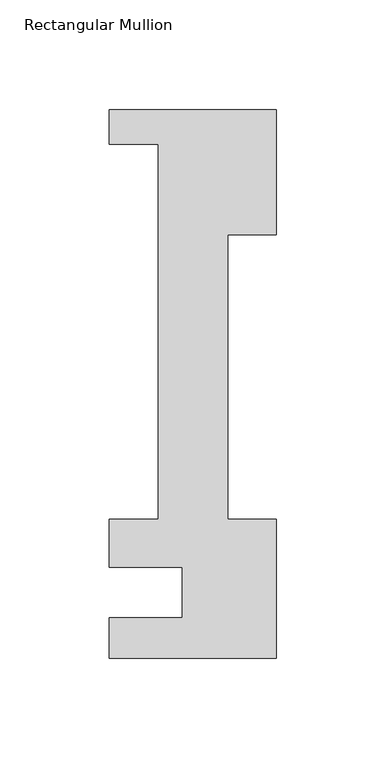
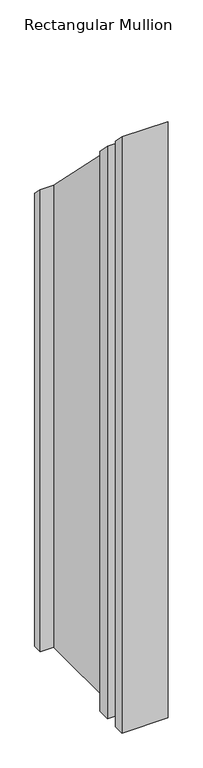
"""IFC4 building model written with IfcOpenShell, lengths in millimetres: member geometry, Rectangular Mullion."""

import ifcopenshell
import ifcopenshell.guid

model = None  # the IFC model being written
_history = None  # IfcOwnerHistory: only IFC2X3 demands one
_inside = {}  # id of a spatial element -> (the spatial element, [elements in it])
_under = {}  # id of a project, library or spatial element -> (it, [spatial elements below it])
_declared = {}  # id of a project -> (the project, [libraries it declares])
_typed = {}  # id of a type object -> (the type object, [elements of that type])
_made_of = {}  # id of a material, layer set ... -> (it, [elements and type objects made of it])


def new_model(schema):
    """Start an empty IFC model of exactly this schema.

    Asked for "IFC4X3", IfcOpenShell would pick the latest addendum, in which some entities
    have other attributes; the version numbers below select the first issue.
    IFC2X3 requires an IfcOwnerHistory on every rooted entity: one is made here for all.
    """
    global model, _history
    if schema == "IFC4X3":
        model = ifcopenshell.file(schema_version=(4, 3, 0, 0))
    else:
        model = ifcopenshell.file(schema=schema)
    _inside.clear()
    _under.clear()
    _declared.clear()
    _typed.clear()
    _made_of.clear()
    _history = None
    if model.schema == "IFC2X3":
        org = make("IfcOrganization", Name="unknown")
        user = make(
            "IfcPersonAndOrganization",
            ThePerson=make("IfcPerson", FamilyName="unknown"),
            TheOrganization=org,
        )
        app = make(
            "IfcApplication",
            ApplicationDeveloper=org,
            Version="unknown",
            ApplicationFullName="unknown",
            ApplicationIdentifier="unknown",
        )
        _history = make(
            "IfcOwnerHistory",
            OwningUser=user,
            OwningApplication=app,
            ChangeAction="ADDED",
            CreationDate=0,
        )
    return model


def make(cls, **values):
    """One entity of the class cls with the attributes given. An attribute that is None is left unset."""
    return model.create_entity(
        cls, **{name: value for name, value in values.items() if value is not None}
    )


def rooted(cls, **values):
    """An entity with a GlobalId (a new one), such as an element, a storey or a relation."""
    return make(cls, GlobalId=ifcopenshell.guid.new(), OwnerHistory=_history, **values)


def si_unit(unit_type, name, prefix=None):
    """IfcSIUnit, for example si_unit("LENGTHUNIT", "METRE", prefix="MILLI")."""
    return make("IfcSIUnit", UnitType=unit_type, Prefix=prefix, Name=name)


def assignment(units):
    """IfcUnitAssignment: the units of a project."""
    return None if units is None else make("IfcUnitAssignment", Units=units)


def point(xyz):
    """IfcCartesianPoint."""
    return None if xyz is None else make("IfcCartesianPoint", Coordinates=xyz)


def direction(xyz):
    """IfcDirection."""
    return None if xyz is None else make("IfcDirection", DirectionRatios=xyz)


def frame(location, z_axis=None, x_axis=None):
    """IfcAxis2Placement3D, a coordinate frame: its origin and axes. An axis left out is left unset."""
    return make(
        "IfcAxis2Placement3D",
        Location=point(location),
        Axis=direction(z_axis),
        RefDirection=direction(x_axis),
    )


def origin():
    """The frame at (0, 0, 0) with its axes left unset."""
    return frame((0.0, 0.0, 0.0))


def place(relative_to, where):
    """IfcLocalPlacement: puts the frame where relative to a parent placement (None: the world)."""
    return make(
        "IfcLocalPlacement", PlacementRelTo=relative_to, RelativePlacement=where
    )


def context(
    kind, dimensions, precision=None, world=None, true_north=None, identifier=None
):
    """IfcGeometricRepresentationContext, for example the 3D "Model" context."""
    return make(
        "IfcGeometricRepresentationContext",
        ContextIdentifier=identifier,
        ContextType=kind,
        CoordinateSpaceDimension=dimensions,
        Precision=precision,
        WorldCoordinateSystem=world,
        TrueNorth=true_north,
    )


def project(units=None, contexts=None):
    """IfcProject with its units and contexts."""
    return rooted(
        "IfcProject",
        Name="project",
        RepresentationContexts=contexts,
        UnitsInContext=assignment(units),
    )


def spatial(cls, under=None, at=None, **own):
    """A site, building, storey or space (cls), placed at a placement, below another one or the project."""
    s = rooted(cls, ObjectPlacement=at, **own)
    if under is not None:
        _under.setdefault(under.id(), (under, []))[1].append(s)
    return s


def faces_of(points, faces, orient=None, outer=None):
    """IfcFace entities. A face is a list of loops; a loop is a list of indices into points, from 0.

    orient and outer hold one flag for each loop. By default every Orientation is true, the
    first loop of a face is its IfcFaceOuterBound and the others are IfcFaceBound.
    """
    made = []
    for i, loops in enumerate(faces):
        bounds = []
        for j, loop in enumerate(loops):
            is_outer = j == 0 if outer is None else outer[i][j]
            bounds.append(
                make(
                    "IfcFaceOuterBound" if is_outer else "IfcFaceBound",
                    Bound=make("IfcPolyLoop", Polygon=[points[k] for k in loop]),
                    Orientation=True if orient is None else orient[i][j],
                )
            )
        made.append(make("IfcFace", Bounds=bounds))
    return made


def faceted_brep(points, faces, orient=None, outer=None, voids=None):
    """IfcFacetedBrep: a solid bounded by flat faces; with voids (closed shells), ...WithVoids."""
    shared = [point(p) for p in points]
    hull = make("IfcClosedShell", CfsFaces=faces_of(shared, faces, orient, outer))
    if voids is None:
        return make("IfcFacetedBrep", Outer=hull)
    return make(
        "IfcFacetedBrepWithVoids",
        Outer=hull,
        Voids=[
            make(cls, CfsFaces=faces_of(shared, fs, o, b)) for cls, fs, o, b in voids
        ],
    )


def shape(context_of_items, identifier, shape_type, items):
    """IfcShapeRepresentation: the items that make up one representation, for example the "Body"."""
    return make(
        "IfcShapeRepresentation",
        ContextOfItems=context_of_items,
        RepresentationIdentifier=identifier,
        RepresentationType=shape_type,
        Items=items,
    )


def source(mapping_origin, context_of_items, identifier, shape_type, items):
    """IfcRepresentationMap: a shape defined once, which mapped items show again and again."""
    return make(
        "IfcRepresentationMap",
        MappingOrigin=mapping_origin,
        MappedRepresentation=shape(context_of_items, identifier, shape_type, items),
    )


def transform(
    local_origin,
    x_axis=None,
    y_axis=None,
    z_axis=None,
    scale=None,
    scale2=None,
    scale3=None,
    uniform=True,
):
    """IfcCartesianTransformationOperator3D, or its non-uniform kind. x_axis, y_axis, z_axis: its Axis1, 2, 3."""
    if uniform:
        return make(
            "IfcCartesianTransformationOperator3D",
            Axis1=direction(x_axis),
            Axis2=direction(y_axis),
            LocalOrigin=point(local_origin),
            Scale=scale,
            Axis3=direction(z_axis),
        )
    return make(
        "IfcCartesianTransformationOperator3DnonUniform",
        Axis1=direction(x_axis),
        Axis2=direction(y_axis),
        LocalOrigin=point(local_origin),
        Scale=scale,
        Axis3=direction(z_axis),
        Scale2=scale2,
        Scale3=scale3,
    )


def mapped(mapping_source, mapping_target):
    """IfcMappedItem: shows the shape of a source again, moved by a transform."""
    return make(
        "IfcMappedItem", MappingSource=mapping_source, MappingTarget=mapping_target
    )


def made_of(thing, what):
    """Note that an element or type object is made of a material, layer set ...; save() writes the relation."""
    if what is not None:
        _made_of.setdefault(what.id(), (what, []))[1].append(thing)
    return thing


def element(
    cls,
    number,
    at=None,
    inside=None,
    cuts=None,
    type_object=None,
    material=None,
    context=None,
    identifier="Body",
    shape_type=None,
    held_by="IfcProductDefinitionShape",
    body=None,
    shapes=None,
    **own,
):
    """One element of the class cls, such as IfcWall. Its Tag is "e" and its number.

    at: its placement. inside: the storey or other place that contains it. cuts: it is an
    opening in that element (IfcRelVoidsElement). A single representation is given by context,
    identifier, shape_type and body (its items); several are given by shapes. held_by: the class
    of the entity that holds the representations. save() writes the other relations.
    """
    e = rooted(cls, Tag="e%d" % number, ObjectPlacement=at, **own)
    if body is not None:
        shapes = [shape(context, identifier, shape_type, body)]
    if shapes is not None:
        e.Representation = make(held_by, Representations=shapes)
    if inside is not None:
        _inside.setdefault(inside.id(), (inside, []))[1].append(e)
    if cuts is not None:
        rooted(
            "IfcRelVoidsElement", RelatingBuildingElement=cuts, RelatedOpeningElement=e
        )
    if type_object is not None:
        _typed.setdefault(type_object.id(), (type_object, []))[1].append(e)
    return made_of(e, material)


def aggregate(whole, parts):
    """IfcRelAggregates: a whole, such as a stair, and the parts it consists of."""
    return rooted("IfcRelAggregates", RelatingObject=whole, RelatedObjects=parts)


def save(model, path):
    """Write the relations noted so far, then the file.

    IfcRelAggregates (storeys below a building ...), IfcRelContainedInSpatialStructure (elements
    in a storey), IfcRelDefinesByType, IfcRelAssociatesMaterial and IfcRelDeclares: one each for
    every whole, place, type object, material and project.
    """
    for whole, parts in _under.values():
        aggregate(whole, parts)
    for where, things in _inside.values():
        rooted(
            "IfcRelContainedInSpatialStructure",
            RelatedElements=things,
            RelatingStructure=where,
        )
    for kind, things in _typed.values():
        rooted("IfcRelDefinesByType", RelatedObjects=things, RelatingType=kind)
    for what, things in _made_of.values():
        rooted("IfcRelAssociatesMaterial", RelatedObjects=things, RelatingMaterial=what)
    for by, libraries in _declared.values():
        rooted("IfcRelDeclares", RelatingContext=by, RelatedDefinitions=libraries)
    model.write(path)


def rectangular_mullion_b32a2505(model_context):
    return source(origin(), model_context, "Body", "Brep", [
        faceted_brep([(-76.2, 221.996, -1016.0), (0.0, 221.996, -1016.0), (0.0, 164.8220701, -1016.0), (-22.225, 164.8220701, -1016.0), (-22.225, 34.671, -1016.0), (0.0, 34.671, -1016.0), (0.0, -28.8080986, -1016.0), (-76.2, -28.8080986, -1016.0), (-76.2, -10.3191857, -1016.0), (-42.8625, -10.3191857, -1016.0), (-42.8625, 12.7, -1016.0), (-76.2, 12.7, -1016.0), (-76.2, 34.671, -1016.0), (-53.975, 34.671, -1016.0), (-53.975, 206.121, -1016.0), (-76.2, 206.121, -1016.0), (-76.2, 206.121, -206.121), (-76.2, 221.996, -221.996), (-53.975, 206.121, -206.121), (-53.975, 34.671, -34.671), (-76.2, 34.671, -34.671), (-76.2, 12.7, -12.7), (-42.8625, 12.7, -12.7), (-42.8625, -10.3191857, 10.3191857), (-76.2, -10.3191857, 10.3191857), (-76.2, -28.8080986, 28.8080986), (0.0, -28.8080986, 28.8080986), (0.0, 34.671, -34.671), (-22.225, 34.671, -34.671), (-22.225, 164.8220701, -164.8220701), (0.0, 164.8220701, -164.8220701), (0.0, 221.996, -221.996)], [[[0, 1, 2, 3, 4, 5, 6, 7, 8, 9, 10, 11, 12, 13, 14, 15]], [[16, 17, 0, 15]], [[18, 16, 15, 14]], [[19, 18, 14, 13]], [[20, 19, 13, 12]], [[21, 20, 12, 11]], [[22, 21, 11, 10]], [[23, 22, 10, 9]], [[24, 23, 9, 8]], [[25, 24, 8, 7]], [[26, 25, 7, 6]], [[27, 26, 6, 5]], [[28, 27, 5, 4]], [[29, 28, 4, 3]], [[30, 29, 3, 2]], [[31, 30, 2, 1]], [[17, 31, 1, 0]], [[17, 16, 18, 19, 20, 21, 22, 23, 24, 25, 26, 27, 28, 29, 30, 31]]]),
    ])


if __name__ == "__main__":
    model = new_model("IFC4")
    model_context = context("Model", 3, world=origin())
    ifc_project = project(units=[si_unit("LENGTHUNIT", "METRE", prefix="MILLI")], contexts=[model_context])
    site = spatial("IfcSite", under=ifc_project)
    building = spatial("IfcBuilding", under=site)
    placement = place(None, origin())
    rectangular_mullion_shape = rectangular_mullion_b32a2505(model_context)
    element("IfcMember", 1, ObjectType="Rectangular Mullion", at=placement, inside=building, context=model_context, shape_type="MappedRepresentation", body=[
        mapped(rectangular_mullion_shape, transform((0.0, 0.0, 0.0), x_axis=(1.0, 0.0, 0.0), y_axis=(0.0, 1.0, 0.0), z_axis=(0.0, 0.0, 1.0))),
    ])
    save(model, "model.ifc")
